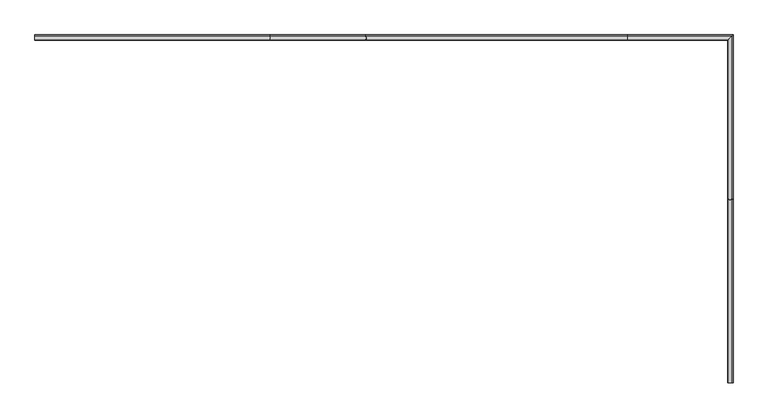
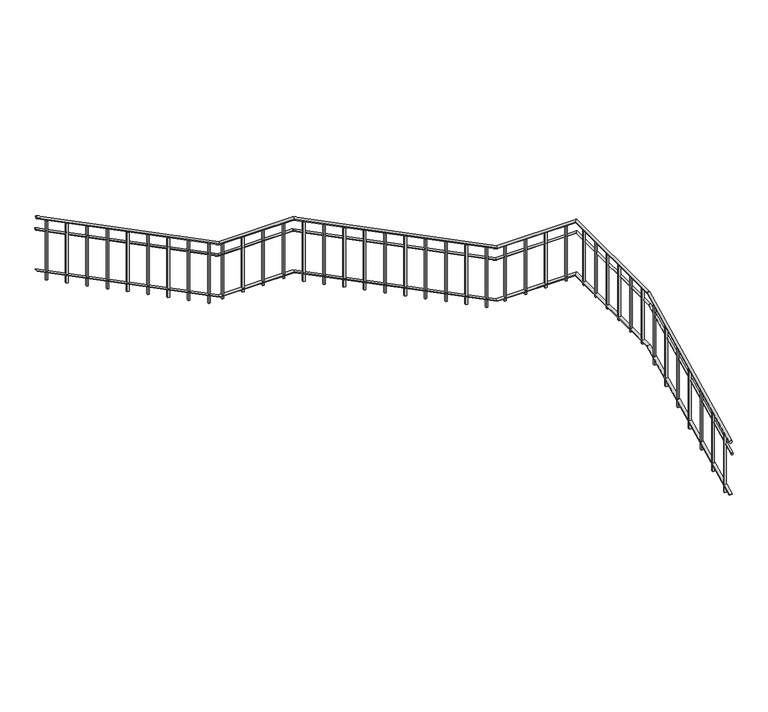
"""IFC4 building model written with IfcOpenShell, lengths in millimetres: railing geometry."""

from ifc_helpers import new_model, si_unit, frame, origin, place, context, project, spatial, polyline, ellipse_curve, outline, extrude, faceted_brep, source, transform, mapped, element, save
from ifc_brep_helpers import plane_surface, cylinder_surface, advanced_brep


def railing_91d3cd6b(model_context):
    return source(origin(), model_context, "Body", "SolidModel", [
        advanced_brep(
        [(-20435.3887159, -11006.8920513, 1027.6393202), (-20395.3887159, -11006.8920513, 1027.6393202), (-20435.3887159, -8902.1706918, 2080.0), (-20395.3887159, -8902.1706918, 2080.0), (-20435.3887159, -7072.6920513, 2080.0), (-20395.3887159, -7032.6920513, 2080.0), (-21594.7100754, -7072.6920513, 2080.0), (-21594.7100754, -7032.6920513, 2080.0), (-24594.7100754, -7072.6920513, 3580.0), (-24594.7100754, -7032.6920513, 3580.0), (-25694.7100754, -7072.6920513, 3580.0), (-25694.7100754, -7032.6920513, 3580.0), (-28389.9887159, -7072.6920513, 4927.6393202), (-28389.9887159, -7032.6920513, 4927.6393202)],
        [
            (0, 1, ellipse_curve(frame((-20415.3887159, -11006.8920513, 1027.6393202), z_axis=(0.0, -1.0, 0.0), x_axis=(0.0, 0.0, -1.0)), 22.3606798, 20.0)),
            (1, 0, ellipse_curve(frame((-20415.3887159, -11006.8920513, 1027.6393202), z_axis=(0.0, -1.0, 0.0), x_axis=(0.0, 0.0, -1.0)), 22.3606798, 20.0)),
            (0, 2),
            (2, 3, ellipse_curve(frame((-20415.3887159, -8902.1706918, 2080.0), z_axis=(0.0, -0.9732489894677302, -0.22975292054736096), x_axis=(0.0, 0.22975292054736066, -0.9732489894677304)), 20.5497259, 20.0)),
            (3, 1),
            (3, 2, ellipse_curve(frame((-20415.3887159, -8902.1706918, 2080.0), z_axis=(0.0, -0.9732489894677302, -0.22975292054736096), x_axis=(0.0, 0.22975292054736066, -0.9732489894677304)), 20.5497259, 20.0)),
            (2, 4),
            (4, 5, ellipse_curve(frame((-20415.3887159, -7052.6920513, 2080.0), z_axis=(0.7071067811865475, -0.7071067811865475, 0.0), x_axis=(-0.7071067811865474, -0.7071067811865476, 0.0)), 28.2842712, 20.0)),
            (5, 3),
            (5, 4, ellipse_curve(frame((-20415.3887159, -7052.6920513, 2080.0), z_axis=(0.7071067811865475, -0.7071067811865475, 0.0), x_axis=(-0.7071067811865474, -0.7071067811865476, 0.0)), 28.2842712, 20.0)),
            (4, 6),
            (6, 7, ellipse_curve(frame((-21594.7100754, -7052.6920513, 2080.0), z_axis=(0.9732489894677303, 0.0, -0.22975292054736107), x_axis=(0.22975292054736007, 0.0, 0.9732489894677304)), 20.5497259, 20.0)),
            (7, 5),
            (7, 6, ellipse_curve(frame((-21594.7100754, -7052.6920513, 2080.0), z_axis=(0.9732489894677303, 0.0, -0.22975292054736107), x_axis=(0.22975292054736007, 0.0, 0.9732489894677304)), 20.5497259, 20.0)),
            (6, 8),
            (8, 9, ellipse_curve(frame((-24594.7100754, -7052.6920513, 3580.0), z_axis=(0.9732489894677303, 0.0, -0.22975292054736107), x_axis=(-0.22975292054736207, 0.0, -0.9732489894677301)), 20.5497259, 20.0)),
            (9, 7),
            (9, 8, ellipse_curve(frame((-24594.7100754, -7052.6920513, 3580.0), z_axis=(0.9732489894677303, 0.0, -0.22975292054736107), x_axis=(-0.22975292054736207, 0.0, -0.9732489894677301)), 20.5497259, 20.0)),
            (8, 10),
            (10, 11, ellipse_curve(frame((-25694.7100754, -7052.6920513, 3580.0), z_axis=(0.9732489894677302, 0.0, -0.22975292054736146), x_axis=(0.22975292054736068, 0.0, 0.9732489894677302)), 20.5497259, 20.0)),
            (11, 9),
            (11, 10, ellipse_curve(frame((-25694.7100754, -7052.6920513, 3580.0), z_axis=(0.9732489894677302, 0.0, -0.22975292054736146), x_axis=(0.22975292054736068, 0.0, 0.9732489894677302)), 20.5497259, 20.0)),
            (12, 13, ellipse_curve(frame((-28389.9887159, -7052.6920513, 4927.6393202), z_axis=(-1.0, 0.0, 0.0), x_axis=(0.0, 0.0, -1.0)), 22.3606798, 20.0)),
            (13, 12, ellipse_curve(frame((-28389.9887159, -7052.6920513, 4927.6393202), z_axis=(-1.0, 0.0, 0.0), x_axis=(0.0, 0.0, -1.0)), 22.3606798, 20.0)),
            (10, 12),
            (13, 11),
        ],
        [
            plane_surface(frame((-20415.3887159, -11006.8920513, 1050.0), z_axis=(0.0, -1.0, 0.0), x_axis=(0.0, 0.0, 1.0))),
            cylinder_surface(frame((-20415.3887159, -10997.9477794, 1032.1114562), z_axis=(0.0, -0.8944271909999161, -0.44721359549995765), x_axis=(1.0, 0.0, 0.0)), 20.0),
            cylinder_surface(frame((-20415.3887159, -8906.8920513, 2080.0), z_axis=(0.0, -1.0, 0.0), x_axis=(1.0, 0.0, 0.0)), 20.0),
            cylinder_surface(frame((-20415.3887159, -7052.6920513, 2080.0), z_axis=(1.0, 0.0, 0.0), x_axis=(0.0, 1.0, 0.0)), 20.0),
            cylinder_surface(frame((-21598.9329878, -7052.6920513, 2082.1114562), z_axis=(0.894427190999916, 0.0, -0.44721359549995776), x_axis=(0.0, 1.0, 0.0)), 20.0),
            cylinder_surface(frame((-24589.9887159, -7052.6920513, 3580.0), z_axis=(1.0, 0.0, 0.0), x_axis=(0.0, 1.0, 0.0)), 20.0),
            plane_surface(frame((-28389.9887159, -7052.6920513, 4950.0), z_axis=(-1.0, 0.0, 0.0), x_axis=(0.0, -1.0, 0.0))),
            cylinder_surface(frame((-25698.9329878, -7052.6920513, 3582.1114562), z_axis=(0.8944271909999156, 0.0, -0.4472135954999585), x_axis=(0.0, 1.0, 0.0)), 20.0),
        ],
        [
            (0, [[1, 2]]),
            (1, [[-1, 3, 4, 5]]),
            (1, [[-2, -5, 6, -3]]),
            (2, [[-4, 7, 8, 9]]),
            (2, [[-6, -9, 10, -7]]),
            (3, [[-8, 11, 12, 13]]),
            (3, [[-10, -13, 14, -11]]),
            (4, [[-12, 15, 16, 17]]),
            (4, [[-14, -17, 18, -15]]),
            (5, [[-16, 19, 20, 21]]),
            (5, [[-18, -21, 22, -19]]),
            (6, [[23, 24]]),
            (7, [[-20, 25, -24, 26]]),
            (7, [[-22, -26, -23, -25]]),
        ],
    ),
        advanced_brep(
        [(-20410.3887159, -11006.8920513, 833.2294902), (-20380.3887159, -11006.8920513, 833.2294902), (-20410.3887159, -8903.3510317, 1885.0), (-20380.3887159, -8903.3510317, 1885.0), (-20410.3887159, -7047.6920513, 1885.0), (-20380.3887159, -7017.6920513, 1885.0), (-21593.5297356, -7047.6920513, 1885.0), (-21593.5297356, -7017.6920513, 1885.0), (-24593.5297356, -7047.6920513, 3385.0), (-24593.5297356, -7017.6920513, 3385.0), (-25693.5297356, -7047.6920513, 3385.0), (-25693.5297356, -7017.6920513, 3385.0), (-28389.9887159, -7047.6920513, 4733.2294902), (-28389.9887159, -7017.6920513, 4733.2294902)],
        [
            (0, 1, ellipse_curve(frame((-20395.3887159, -11006.8920513, 833.2294902), z_axis=(0.0, -1.0, 0.0), x_axis=(0.0, 0.0, -1.0)), 16.7705098, 15.0)),
            (1, 0, ellipse_curve(frame((-20395.3887159, -11006.8920513, 833.2294902), z_axis=(0.0, -1.0, 0.0), x_axis=(0.0, 0.0, -1.0)), 16.7705098, 15.0)),
            (0, 2),
            (2, 3, ellipse_curve(frame((-20395.3887159, -8903.3510317, 1885.0), z_axis=(0.0, -0.9732489894677302, -0.22975292054736096), x_axis=(0.0, 0.22975292054736066, -0.9732489894677304)), 15.4122945, 15.0)),
            (3, 1),
            (3, 2, ellipse_curve(frame((-20395.3887159, -8903.3510317, 1885.0), z_axis=(0.0, -0.9732489894677302, -0.22975292054736096), x_axis=(0.0, 0.22975292054736066, -0.9732489894677304)), 15.4122945, 15.0)),
            (2, 4),
            (4, 5, ellipse_curve(frame((-20395.3887159, -7032.6920513, 1885.0), z_axis=(0.7071067811865475, -0.7071067811865475, 0.0), x_axis=(-0.7071067811865474, -0.7071067811865476, 0.0)), 21.2132034, 15.0)),
            (5, 3),
            (5, 4, ellipse_curve(frame((-20395.3887159, -7032.6920513, 1885.0), z_axis=(0.7071067811865475, -0.7071067811865475, 0.0), x_axis=(-0.7071067811865474, -0.7071067811865476, 0.0)), 21.2132034, 15.0)),
            (4, 6),
            (6, 7, ellipse_curve(frame((-21593.5297356, -7032.6920513, 1885.0), z_axis=(0.9732489894677303, 0.0, -0.22975292054736107), x_axis=(0.22975292054736007, 0.0, 0.9732489894677304)), 15.4122945, 15.0)),
            (7, 5),
            (7, 6, ellipse_curve(frame((-21593.5297356, -7032.6920513, 1885.0), z_axis=(0.9732489894677303, 0.0, -0.22975292054736107), x_axis=(0.22975292054736007, 0.0, 0.9732489894677304)), 15.4122945, 15.0)),
            (6, 8),
            (8, 9, ellipse_curve(frame((-24593.5297356, -7032.6920513, 3385.0), z_axis=(0.9732489894677303, 0.0, -0.22975292054736107), x_axis=(-0.22975292054736207, 0.0, -0.9732489894677301)), 15.4122945, 15.0)),
            (9, 7),
            (9, 8, ellipse_curve(frame((-24593.5297356, -7032.6920513, 3385.0), z_axis=(0.9732489894677303, 0.0, -0.22975292054736107), x_axis=(-0.22975292054736207, 0.0, -0.9732489894677301)), 15.4122945, 15.0)),
            (8, 10),
            (10, 11, ellipse_curve(frame((-25693.5297356, -7032.6920513, 3385.0), z_axis=(0.9732489894677302, 0.0, -0.22975292054736146), x_axis=(0.22975292054736068, 0.0, 0.9732489894677302)), 15.4122945, 15.0)),
            (11, 9),
            (11, 10, ellipse_curve(frame((-25693.5297356, -7032.6920513, 3385.0), z_axis=(0.9732489894677302, 0.0, -0.22975292054736146), x_axis=(0.22975292054736068, 0.0, 0.9732489894677302)), 15.4122945, 15.0)),
            (12, 13, ellipse_curve(frame((-28389.9887159, -7032.6920513, 4733.2294902), z_axis=(-1.0, 0.0, 0.0), x_axis=(0.0, 0.0, -1.0)), 16.7705098, 15.0)),
            (13, 12, ellipse_curve(frame((-28389.9887159, -7032.6920513, 4733.2294902), z_axis=(-1.0, 0.0, 0.0), x_axis=(0.0, 0.0, -1.0)), 16.7705098, 15.0)),
            (10, 12),
            (13, 11),
        ],
        [
            plane_surface(frame((-20395.3887159, -11006.8920513, 850.0), z_axis=(0.0, -1.0, 0.0), x_axis=(0.0, 0.0, 1.0))),
            cylinder_surface(frame((-20395.3887159, -11000.1838474, 836.5835921), z_axis=(0.0, -0.8944271909999161, -0.44721359549995765), x_axis=(1.0, 0.0, 0.0)), 15.0),
            cylinder_surface(frame((-20395.3887159, -8906.8920513, 1885.0), z_axis=(0.0, -1.0, 0.0), x_axis=(1.0, 0.0, 0.0)), 15.0),
            cylinder_surface(frame((-20395.3887159, -7032.6920513, 1885.0), z_axis=(1.0, 0.0, 0.0), x_axis=(0.0, 1.0, 0.0)), 15.0),
            cylinder_surface(frame((-21596.6969198, -7032.6920513, 1886.5835921), z_axis=(0.894427190999916, 0.0, -0.44721359549995776), x_axis=(0.0, 1.0, 0.0)), 15.0),
            cylinder_surface(frame((-24589.9887159, -7032.6920513, 3385.0), z_axis=(1.0, 0.0, 0.0), x_axis=(0.0, 1.0, 0.0)), 15.0),
            plane_surface(frame((-28389.9887159, -7032.6920513, 4750.0), z_axis=(-1.0, 0.0, 0.0), x_axis=(0.0, -1.0, 0.0))),
            cylinder_surface(frame((-25696.6969198, -7032.6920513, 3386.5835921), z_axis=(0.8944271909999156, 0.0, -0.4472135954999585), x_axis=(0.0, 1.0, 0.0)), 15.0),
        ],
        [
            (0, [[1, 2]]),
            (1, [[-1, 3, 4, 5]]),
            (1, [[-2, -5, 6, -3]]),
            (2, [[-4, 7, 8, 9]]),
            (2, [[-6, -9, 10, -7]]),
            (3, [[-8, 11, 12, 13]]),
            (3, [[-10, -13, 14, -11]]),
            (4, [[-12, 15, 16, 17]]),
            (4, [[-14, -17, 18, -15]]),
            (5, [[-16, 19, 20, 21]]),
            (5, [[-18, -21, 22, -19]]),
            (6, [[23, 24]]),
            (7, [[-20, 25, -24, 26]]),
            (7, [[-22, -26, -23, -25]]),
        ],
    ),
        faceted_brep([(-20390.3887159, -11006.8920513, 210.0), (-20440.3887159, -11006.8920513, 210.0), (-20440.3887159, -11006.8920513, 198.8196601), (-20390.3887159, -11006.8920513, 198.8196601), (-20390.3887159, -8906.8920513, 1260.0), (-20440.3887159, -8906.8920513, 1260.0), (-20440.3887159, -8904.5313716, 1250.0), (-20390.3887159, -8904.5313716, 1250.0), (-20390.3887159, -7027.6920513, 1260.0), (-20440.3887159, -7077.6920513, 1260.0), (-20440.3887159, -7077.6920513, 1250.0), (-20390.3887159, -7027.6920513, 1250.0), (-21589.9887159, -7027.6920513, 1260.0), (-21589.9887159, -7077.6920513, 1260.0), (-21592.3493957, -7077.6920513, 1250.0), (-21592.3493957, -7027.6920513, 1250.0), (-24589.9887159, -7027.6920513, 2760.0), (-24589.9887159, -7077.6920513, 2760.0), (-24592.3493957, -7077.6920513, 2750.0), (-24592.3493957, -7027.6920513, 2750.0), (-25689.9887159, -7027.6920513, 2760.0), (-25689.9887159, -7077.6920513, 2760.0), (-25692.3493957, -7077.6920513, 2750.0), (-25692.3493957, -7027.6920513, 2750.0), (-28389.9887159, -7027.6920513, 4110.0), (-28389.9887159, -7027.6920513, 4098.8196601), (-28389.9887159, -7077.6920513, 4098.8196601), (-28389.9887159, -7077.6920513, 4110.0)], [[[0, 1, 2, 3]], [[1, 0, 4, 5]], [[2, 1, 5, 6]], [[3, 2, 6, 7]], [[0, 3, 7, 4]], [[5, 4, 8, 9]], [[6, 5, 9, 10]], [[7, 6, 10, 11]], [[4, 7, 11, 8]], [[9, 8, 12, 13]], [[10, 9, 13, 14]], [[11, 10, 14, 15]], [[8, 11, 15, 12]], [[13, 12, 16, 17]], [[14, 13, 17, 18]], [[15, 14, 18, 19]], [[12, 15, 19, 16]], [[17, 16, 20, 21]], [[18, 17, 21, 22]], [[19, 18, 22, 23]], [[16, 19, 23, 20]], [[24, 25, 26, 27]], [[21, 20, 24, 27]], [[22, 21, 27, 26]], [[23, 22, 26, 25]], [[20, 23, 25, 24]]]),
        extrude(outline(polyline([(3900.0, -28227.4887159), (4824.0286405, -28227.4887159), (4836.5286405, -28252.4887159), (3900.0, -28252.4887159), (3900.0, -28227.4887159)])), frame((0.0, -7065.1920513, 0.0), z_axis=(0.0, 1.0, 0.0), x_axis=(0.0, 0.0, 1.0)), (0.0, 0.0, 1.0), 25.0),
        extrude(outline(polyline([(3750.0, -27927.4887159), (4674.0286405, -27927.4887159), (4686.5286405, -27952.4887159), (3750.0, -27952.4887159), (3750.0, -27927.4887159)])), frame((0.0, -7065.1920513, 0.0), z_axis=(0.0, 1.0, 0.0), x_axis=(0.0, 0.0, 1.0)), (0.0, 0.0, 1.0), 25.0),
        extrude(outline(polyline([(3600.0, -27627.4887159), (4524.0286405, -27627.4887159), (4536.5286405, -27652.4887159), (3600.0, -27652.4887159), (3600.0, -27627.4887159)])), frame((0.0, -7065.1920513, 0.0), z_axis=(0.0, 1.0, 0.0), x_axis=(0.0, 0.0, 1.0)), (0.0, 0.0, 1.0), 25.0),
        extrude(outline(polyline([(3450.0, -27327.4887159), (4374.0286405, -27327.4887159), (4386.5286405, -27352.4887159), (3450.0, -27352.4887159), (3450.0, -27327.4887159)])), frame((0.0, -7065.1920513, 0.0), z_axis=(0.0, 1.0, 0.0), x_axis=(0.0, 0.0, 1.0)), (0.0, 0.0, 1.0), 25.0),
        extrude(outline(polyline([(3300.0, -27027.4887159), (4224.0286405, -27027.4887159), (4236.5286405, -27052.4887159), (3300.0, -27052.4887159), (3300.0, -27027.4887159)])), frame((0.0, -7065.1920513, 0.0), z_axis=(0.0, 1.0, 0.0), x_axis=(0.0, 0.0, 1.0)), (0.0, 0.0, 1.0), 25.0),
        extrude(outline(polyline([(3150.0, -26727.4887159), (4074.0286405, -26727.4887159), (4086.5286405, -26752.4887159), (3150.0, -26752.4887159), (3150.0, -26727.4887159)])), frame((0.0, -7065.1920513, 0.0), z_axis=(0.0, 1.0, 0.0), x_axis=(0.0, 0.0, 1.0)), (0.0, 0.0, 1.0), 25.0),
        extrude(outline(polyline([(3000.0, -26427.4887159), (3924.0286405, -26427.4887159), (3936.5286405, -26452.4887159), (3000.0, -26452.4887159), (3000.0, -26427.4887159)])), frame((0.0, -7065.1920513, 0.0), z_axis=(0.0, 1.0, 0.0), x_axis=(0.0, 0.0, 1.0)), (0.0, 0.0, 1.0), 25.0),
        extrude(outline(polyline([(2850.0, -26127.4887159), (3774.0286405, -26127.4887159), (3786.5286405, -26152.4887159), (2850.0, -26152.4887159), (2850.0, -26127.4887159)])), frame((0.0, -7065.1920513, 0.0), z_axis=(0.0, 1.0, 0.0), x_axis=(0.0, 0.0, 1.0)), (0.0, 0.0, 1.0), 25.0),
        extrude(outline(polyline([(2700.0, -25827.4887159), (3624.0286405, -25827.4887159), (3636.5286405, -25852.4887159), (2700.0, -25852.4887159), (2700.0, -25827.4887159)])), frame((0.0, -7065.1920513, 0.0), z_axis=(0.0, 1.0, 0.0), x_axis=(0.0, 0.0, 1.0)), (0.0, 0.0, 1.0), 25.0),
        extrude(outline(polyline([(-25627.4887159, -7040.1920513), (-25627.4887159, -7065.1920513), (-25652.4887159, -7065.1920513), (-25652.4887159, -7040.1920513), (-25627.4887159, -7040.1920513)])), frame((0.0, 0.0, 2700.0), z_axis=(0.0, 0.0, 1.0), x_axis=(1.0, 0.0, 0.0)), (0.0, 0.0, 1.0), 860.0),
        extrude(outline(polyline([(-25327.4887159, -7040.1920513), (-25327.4887159, -7065.1920513), (-25352.4887159, -7065.1920513), (-25352.4887159, -7040.1920513), (-25327.4887159, -7040.1920513)])), frame((0.0, 0.0, 2700.0), z_axis=(0.0, 0.0, 1.0), x_axis=(1.0, 0.0, 0.0)), (0.0, 0.0, 1.0), 860.0),
        extrude(outline(polyline([(-25027.4887159, -7040.1920513), (-25027.4887159, -7065.1920513), (-25052.4887159, -7065.1920513), (-25052.4887159, -7040.1920513), (-25027.4887159, -7040.1920513)])), frame((0.0, 0.0, 2700.0), z_axis=(0.0, 0.0, 1.0), x_axis=(1.0, 0.0, 0.0)), (0.0, 0.0, 1.0), 860.0),
        extrude(outline(polyline([(-24727.4887159, -7040.1920513), (-24727.4887159, -7065.1920513), (-24752.4887159, -7065.1920513), (-24752.4887159, -7040.1920513), (-24727.4887159, -7040.1920513)])), frame((0.0, 0.0, 2700.0), z_axis=(0.0, 0.0, 1.0), x_axis=(1.0, 0.0, 0.0)), (0.0, 0.0, 1.0), 860.0),
        extrude(outline(polyline([(2550.0, -24427.4887159), (3474.0286405, -24427.4887159), (3486.5286405, -24452.4887159), (2550.0, -24452.4887159), (2550.0, -24427.4887159)])), frame((0.0, -7065.1920513, 0.0), z_axis=(0.0, 1.0, 0.0), x_axis=(0.0, 0.0, 1.0)), (0.0, 0.0, 1.0), 25.0),
        extrude(outline(polyline([(2400.0, -24127.4887159), (3324.0286405, -24127.4887159), (3336.5286405, -24152.4887159), (2400.0, -24152.4887159), (2400.0, -24127.4887159)])), frame((0.0, -7065.1920513, 0.0), z_axis=(0.0, 1.0, 0.0), x_axis=(0.0, 0.0, 1.0)), (0.0, 0.0, 1.0), 25.0),
        extrude(outline(polyline([(2250.0, -23827.4887159), (3174.0286405, -23827.4887159), (3186.5286405, -23852.4887159), (2250.0, -23852.4887159), (2250.0, -23827.4887159)])), frame((0.0, -7065.1920513, 0.0), z_axis=(0.0, 1.0, 0.0), x_axis=(0.0, 0.0, 1.0)), (0.0, 0.0, 1.0), 25.0),
        extrude(outline(polyline([(2100.0, -23527.4887159), (3024.0286405, -23527.4887159), (3036.5286405, -23552.4887159), (2100.0, -23552.4887159), (2100.0, -23527.4887159)])), frame((0.0, -7065.1920513, 0.0), z_axis=(0.0, 1.0, 0.0), x_axis=(0.0, 0.0, 1.0)), (0.0, 0.0, 1.0), 25.0),
        extrude(outline(polyline([(1950.0, -23227.4887159), (2874.0286405, -23227.4887159), (2886.5286405, -23252.4887159), (1950.0, -23252.4887159), (1950.0, -23227.4887159)])), frame((0.0, -7065.1920513, 0.0), z_axis=(0.0, 1.0, 0.0), x_axis=(0.0, 0.0, 1.0)), (0.0, 0.0, 1.0), 25.0),
        extrude(outline(polyline([(1800.0, -22927.4887159), (2724.0286405, -22927.4887159), (2736.5286405, -22952.4887159), (1800.0, -22952.4887159), (1800.0, -22927.4887159)])), frame((0.0, -7065.1920513, 0.0), z_axis=(0.0, 1.0, 0.0), x_axis=(0.0, 0.0, 1.0)), (0.0, 0.0, 1.0), 25.0),
        extrude(outline(polyline([(1650.0, -22627.4887159), (2574.0286405, -22627.4887159), (2586.5286405, -22652.4887159), (1650.0, -22652.4887159), (1650.0, -22627.4887159)])), frame((0.0, -7065.1920513, 0.0), z_axis=(0.0, 1.0, 0.0), x_axis=(0.0, 0.0, 1.0)), (0.0, 0.0, 1.0), 25.0),
        extrude(outline(polyline([(1500.0, -22327.4887159), (2424.0286405, -22327.4887159), (2436.5286405, -22352.4887159), (1500.0, -22352.4887159), (1500.0, -22327.4887159)])), frame((0.0, -7065.1920513, 0.0), z_axis=(0.0, 1.0, 0.0), x_axis=(0.0, 0.0, 1.0)), (0.0, 0.0, 1.0), 25.0),
        extrude(outline(polyline([(1350.0, -22027.4887159), (2274.0286405, -22027.4887159), (2286.5286405, -22052.4887159), (1350.0, -22052.4887159), (1350.0, -22027.4887159)])), frame((0.0, -7065.1920513, 0.0), z_axis=(0.0, 1.0, 0.0), x_axis=(0.0, 0.0, 1.0)), (0.0, 0.0, 1.0), 25.0),
        extrude(outline(polyline([(1200.0, -21727.4887159), (2124.0286405, -21727.4887159), (2136.5286405, -21752.4887159), (1200.0, -21752.4887159), (1200.0, -21727.4887159)])), frame((0.0, -7065.1920513, 0.0), z_axis=(0.0, 1.0, 0.0), x_axis=(0.0, 0.0, 1.0)), (0.0, 0.0, 1.0), 25.0),
        extrude(outline(polyline([(-21452.8887159, -7040.1920513), (-21452.8887159, -7065.1920513), (-21477.8887159, -7065.1920513), (-21477.8887159, -7040.1920513), (-21452.8887159, -7040.1920513)])), frame((0.0, 0.0, 1200.0), z_axis=(0.0, 0.0, 1.0), x_axis=(1.0, 0.0, 0.0)), (0.0, 0.0, 1.0), 860.0),
        extrude(outline(polyline([(-21152.8887159, -7040.1920513), (-21152.8887159, -7065.1920513), (-21177.8887159, -7065.1920513), (-21177.8887159, -7040.1920513), (-21152.8887159, -7040.1920513)])), frame((0.0, 0.0, 1200.0), z_axis=(0.0, 0.0, 1.0), x_axis=(1.0, 0.0, 0.0)), (0.0, 0.0, 1.0), 860.0),
        extrude(outline(polyline([(-20852.8887159, -7040.1920513), (-20852.8887159, -7065.1920513), (-20877.8887159, -7065.1920513), (-20877.8887159, -7040.1920513), (-20852.8887159, -7040.1920513)])), frame((0.0, 0.0, 1200.0), z_axis=(0.0, 0.0, 1.0), x_axis=(1.0, 0.0, 0.0)), (0.0, 0.0, 1.0), 860.0),
        extrude(outline(polyline([(-20552.8887159, -7040.1920513), (-20552.8887159, -7065.1920513), (-20577.8887159, -7065.1920513), (-20577.8887159, -7040.1920513), (-20552.8887159, -7040.1920513)])), frame((0.0, 0.0, 1200.0), z_axis=(0.0, 0.0, 1.0), x_axis=(1.0, 0.0, 0.0)), (0.0, 0.0, 1.0), 860.0),
        extrude(outline(polyline([(-20402.8887159, -7269.3920513), (-20427.8887159, -7269.3920513), (-20427.8887159, -7244.3920513), (-20402.8887159, -7244.3920513), (-20402.8887159, -7269.3920513)])), frame((0.0, 0.0, 1200.0), z_axis=(0.0, 0.0, 1.0), x_axis=(1.0, 0.0, 0.0)), (0.0, 0.0, 1.0), 860.0),
        extrude(outline(polyline([(-20402.8887159, -7569.3920513), (-20427.8887159, -7569.3920513), (-20427.8887159, -7544.3920513), (-20402.8887159, -7544.3920513), (-20402.8887159, -7569.3920513)])), frame((0.0, 0.0, 1200.0), z_axis=(0.0, 0.0, 1.0), x_axis=(1.0, 0.0, 0.0)), (0.0, 0.0, 1.0), 860.0),
        extrude(outline(polyline([(-20402.8887159, -7869.3920513), (-20427.8887159, -7869.3920513), (-20427.8887159, -7844.3920513), (-20402.8887159, -7844.3920513), (-20402.8887159, -7869.3920513)])), frame((0.0, 0.0, 1200.0), z_axis=(0.0, 0.0, 1.0), x_axis=(1.0, 0.0, 0.0)), (0.0, 0.0, 1.0), 860.0),
        extrude(outline(polyline([(-20402.8887159, -8169.3920513), (-20427.8887159, -8169.3920513), (-20427.8887159, -8144.3920513), (-20402.8887159, -8144.3920513), (-20402.8887159, -8169.3920513)])), frame((0.0, 0.0, 1200.0), z_axis=(0.0, 0.0, 1.0), x_axis=(1.0, 0.0, 0.0)), (0.0, 0.0, 1.0), 860.0),
        extrude(outline(polyline([(-20402.8887159, -8469.3920513), (-20427.8887159, -8469.3920513), (-20427.8887159, -8444.3920513), (-20402.8887159, -8444.3920513), (-20402.8887159, -8469.3920513)])), frame((0.0, 0.0, 1200.0), z_axis=(0.0, 0.0, 1.0), x_axis=(1.0, 0.0, 0.0)), (0.0, 0.0, 1.0), 860.0),
        extrude(outline(polyline([(-20402.8887159, -8769.3920513), (-20427.8887159, -8769.3920513), (-20427.8887159, -8744.3920513), (-20402.8887159, -8744.3920513), (-20402.8887159, -8769.3920513)])), frame((0.0, 0.0, 1200.0), z_axis=(0.0, 0.0, 1.0), x_axis=(1.0, 0.0, 0.0)), (0.0, 0.0, 1.0), 860.0),
        extrude(outline(polyline([(-9069.3920513, 1050.0), (-9069.3920513, 1974.0286405), (-9044.3920513, 1986.5286405), (-9044.3920513, 1050.0), (-9069.3920513, 1050.0)])), frame((-20427.8887159, 0.0, 0.0), z_axis=(1.0, 0.0, 0.0), x_axis=(0.0, 1.0, 0.0)), (0.0, 0.0, 1.0), 25.0),
        extrude(outline(polyline([(-9369.3920513, 900.0), (-9369.3920513, 1824.0286405), (-9344.3920513, 1836.5286405), (-9344.3920513, 900.0), (-9369.3920513, 900.0)])), frame((-20427.8887159, 0.0, 0.0), z_axis=(1.0, 0.0, 0.0), x_axis=(0.0, 1.0, 0.0)), (0.0, 0.0, 1.0), 25.0),
        extrude(outline(polyline([(-9669.3920513, 750.0), (-9669.3920513, 1674.0286405), (-9644.3920513, 1686.5286405), (-9644.3920513, 750.0), (-9669.3920513, 750.0)])), frame((-20427.8887159, 0.0, 0.0), z_axis=(1.0, 0.0, 0.0), x_axis=(0.0, 1.0, 0.0)), (0.0, 0.0, 1.0), 25.0),
        extrude(outline(polyline([(-9969.3920513, 600.0), (-9969.3920513, 1524.0286405), (-9944.3920513, 1536.5286405), (-9944.3920513, 600.0), (-9969.3920513, 600.0)])), frame((-20427.8887159, 0.0, 0.0), z_axis=(1.0, 0.0, 0.0), x_axis=(0.0, 1.0, 0.0)), (0.0, 0.0, 1.0), 25.0),
        extrude(outline(polyline([(-10269.3920513, 450.0), (-10269.3920513, 1374.0286405), (-10244.3920513, 1386.5286405), (-10244.3920513, 450.0), (-10269.3920513, 450.0)])), frame((-20427.8887159, 0.0, 0.0), z_axis=(1.0, 0.0, 0.0), x_axis=(0.0, 1.0, 0.0)), (0.0, 0.0, 1.0), 25.0),
        extrude(outline(polyline([(-10569.3920513, 300.0), (-10569.3920513, 1224.0286405), (-10544.3920513, 1236.5286405), (-10544.3920513, 300.0), (-10569.3920513, 300.0)])), frame((-20427.8887159, 0.0, 0.0), z_axis=(1.0, 0.0, 0.0), x_axis=(0.0, 1.0, 0.0)), (0.0, 0.0, 1.0), 25.0),
        extrude(outline(polyline([(-10869.3920513, 150.0), (-10869.3920513, 1074.0286405), (-10844.3920513, 1086.5286405), (-10844.3920513, 150.0), (-10869.3920513, 150.0)])), frame((-20427.8887159, 0.0, 0.0), z_axis=(1.0, 0.0, 0.0), x_axis=(0.0, 1.0, 0.0)), (0.0, 0.0, 1.0), 25.0),
    ])


if __name__ == "__main__":
    model = new_model("IFC4")
    model_context = context("Model", 3, world=origin())
    ifc_project = project(units=[si_unit("LENGTHUNIT", "METRE", prefix="MILLI")], contexts=[model_context])
    site = spatial("IfcSite", under=ifc_project)
    building = spatial("IfcBuilding", under=site)
    placement = place(None, origin())
    railing_shape = railing_91d3cd6b(model_context)
    element("IfcRailing", 1, at=placement, inside=building, context=model_context, shape_type="MappedRepresentation", body=[
        mapped(railing_shape, transform((0.0, 0.0, 0.0), x_axis=(1.0, 0.0, 0.0), y_axis=(0.0, 1.0, 0.0), z_axis=(0.0, 0.0, 1.0))),
    ])
    save(model, "model.ifc")
